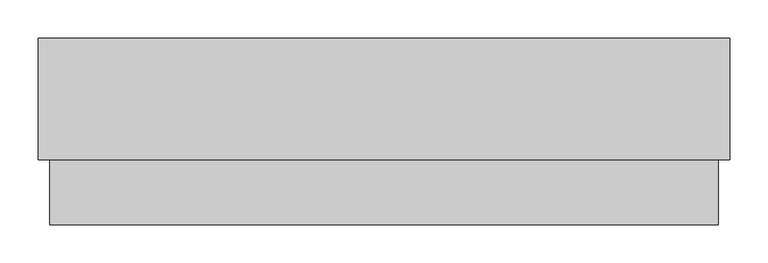
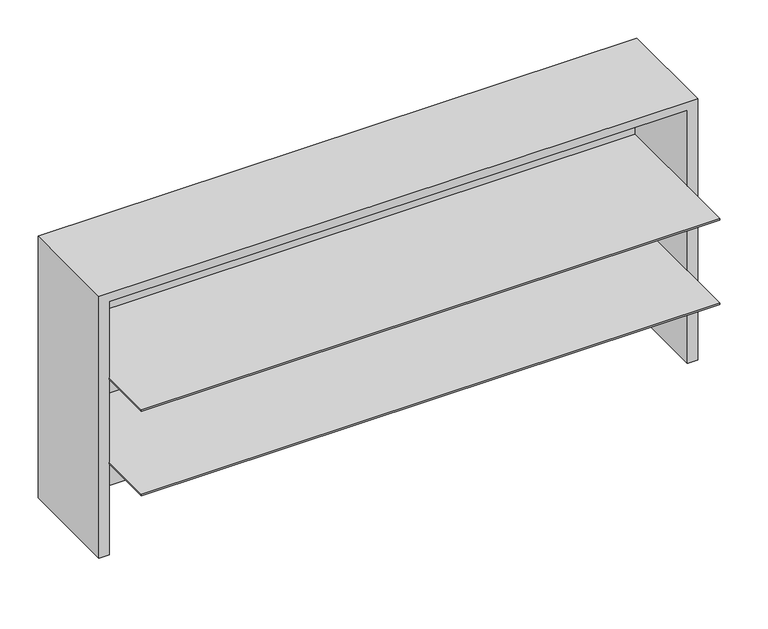
"""IFC4 building model written with IfcOpenShell, lengths in millimetres: furniture geometry."""

import ifcopenshell
import ifcopenshell.guid

model = None  # the IFC model being written
_history = None  # IfcOwnerHistory: only IFC2X3 demands one
_inside = {}  # id of a spatial element -> (the spatial element, [elements in it])
_under = {}  # id of a project, library or spatial element -> (it, [spatial elements below it])
_declared = {}  # id of a project -> (the project, [libraries it declares])
_typed = {}  # id of a type object -> (the type object, [elements of that type])
_made_of = {}  # id of a material, layer set ... -> (it, [elements and type objects made of it])


def new_model(schema):
    """Start an empty IFC model of exactly this schema.

    Asked for "IFC4X3", IfcOpenShell would pick the latest addendum, in which some entities
    have other attributes; the version numbers below select the first issue.
    IFC2X3 requires an IfcOwnerHistory on every rooted entity: one is made here for all.
    """
    global model, _history
    if schema == "IFC4X3":
        model = ifcopenshell.file(schema_version=(4, 3, 0, 0))
    else:
        model = ifcopenshell.file(schema=schema)
    _inside.clear()
    _under.clear()
    _declared.clear()
    _typed.clear()
    _made_of.clear()
    _history = None
    if model.schema == "IFC2X3":
        org = make("IfcOrganization", Name="unknown")
        user = make(
            "IfcPersonAndOrganization",
            ThePerson=make("IfcPerson", FamilyName="unknown"),
            TheOrganization=org,
        )
        app = make(
            "IfcApplication",
            ApplicationDeveloper=org,
            Version="unknown",
            ApplicationFullName="unknown",
            ApplicationIdentifier="unknown",
        )
        _history = make(
            "IfcOwnerHistory",
            OwningUser=user,
            OwningApplication=app,
            ChangeAction="ADDED",
            CreationDate=0,
        )
    return model


def make(cls, **values):
    """One entity of the class cls with the attributes given. An attribute that is None is left unset."""
    return model.create_entity(
        cls, **{name: value for name, value in values.items() if value is not None}
    )


def rooted(cls, **values):
    """An entity with a GlobalId (a new one), such as an element, a storey or a relation."""
    return make(cls, GlobalId=ifcopenshell.guid.new(), OwnerHistory=_history, **values)


def si_unit(unit_type, name, prefix=None):
    """IfcSIUnit, for example si_unit("LENGTHUNIT", "METRE", prefix="MILLI")."""
    return make("IfcSIUnit", UnitType=unit_type, Prefix=prefix, Name=name)


def assignment(units):
    """IfcUnitAssignment: the units of a project."""
    return None if units is None else make("IfcUnitAssignment", Units=units)


def point(xyz):
    """IfcCartesianPoint."""
    return None if xyz is None else make("IfcCartesianPoint", Coordinates=xyz)


def direction(xyz):
    """IfcDirection."""
    return None if xyz is None else make("IfcDirection", DirectionRatios=xyz)


def frame(location, z_axis=None, x_axis=None):
    """IfcAxis2Placement3D, a coordinate frame: its origin and axes. An axis left out is left unset."""
    return make(
        "IfcAxis2Placement3D",
        Location=point(location),
        Axis=direction(z_axis),
        RefDirection=direction(x_axis),
    )


def origin():
    """The frame at (0, 0, 0) with its axes left unset."""
    return frame((0.0, 0.0, 0.0))


def place(relative_to, where):
    """IfcLocalPlacement: puts the frame where relative to a parent placement (None: the world)."""
    return make(
        "IfcLocalPlacement", PlacementRelTo=relative_to, RelativePlacement=where
    )


def context(
    kind, dimensions, precision=None, world=None, true_north=None, identifier=None
):
    """IfcGeometricRepresentationContext, for example the 3D "Model" context."""
    return make(
        "IfcGeometricRepresentationContext",
        ContextIdentifier=identifier,
        ContextType=kind,
        CoordinateSpaceDimension=dimensions,
        Precision=precision,
        WorldCoordinateSystem=world,
        TrueNorth=true_north,
    )


def project(units=None, contexts=None):
    """IfcProject with its units and contexts."""
    return rooted(
        "IfcProject",
        Name="project",
        RepresentationContexts=contexts,
        UnitsInContext=assignment(units),
    )


def spatial(cls, under=None, at=None, **own):
    """A site, building, storey or space (cls), placed at a placement, below another one or the project."""
    s = rooted(cls, ObjectPlacement=at, **own)
    if under is not None:
        _under.setdefault(under.id(), (under, []))[1].append(s)
    return s


def polyline(points):
    """IfcPolyline through the points."""
    return make("IfcPolyline", Points=[point(p) for p in points])


def outline(outer, holes=None, kind="AREA"):
    """IfcArbitraryClosedProfileDef: a profile drawn as a closed curve; with holes, ...WithVoids."""
    if holes is None:
        return make("IfcArbitraryClosedProfileDef", ProfileType=kind, OuterCurve=outer)
    return make(
        "IfcArbitraryProfileDefWithVoids",
        ProfileType=kind,
        OuterCurve=outer,
        InnerCurves=holes,
    )


def extrude(swept, where, along, depth):
    """IfcExtrudedAreaSolid: the profile swept, set in the frame where, extruded along a direction by depth."""
    return make(
        "IfcExtrudedAreaSolid",
        SweptArea=swept,
        Position=where,
        ExtrudedDirection=direction(along),
        Depth=depth,
    )


def faces_of(points, faces, orient=None, outer=None):
    """IfcFace entities. A face is a list of loops; a loop is a list of indices into points, from 0.

    orient and outer hold one flag for each loop. By default every Orientation is true, the
    first loop of a face is its IfcFaceOuterBound and the others are IfcFaceBound.
    """
    made = []
    for i, loops in enumerate(faces):
        bounds = []
        for j, loop in enumerate(loops):
            is_outer = j == 0 if outer is None else outer[i][j]
            bounds.append(
                make(
                    "IfcFaceOuterBound" if is_outer else "IfcFaceBound",
                    Bound=make("IfcPolyLoop", Polygon=[points[k] for k in loop]),
                    Orientation=True if orient is None else orient[i][j],
                )
            )
        made.append(make("IfcFace", Bounds=bounds))
    return made


def faceted_brep(points, faces, orient=None, outer=None, voids=None):
    """IfcFacetedBrep: a solid bounded by flat faces; with voids (closed shells), ...WithVoids."""
    shared = [point(p) for p in points]
    hull = make("IfcClosedShell", CfsFaces=faces_of(shared, faces, orient, outer))
    if voids is None:
        return make("IfcFacetedBrep", Outer=hull)
    return make(
        "IfcFacetedBrepWithVoids",
        Outer=hull,
        Voids=[
            make(cls, CfsFaces=faces_of(shared, fs, o, b)) for cls, fs, o, b in voids
        ],
    )


def shape(context_of_items, identifier, shape_type, items):
    """IfcShapeRepresentation: the items that make up one representation, for example the "Body"."""
    return make(
        "IfcShapeRepresentation",
        ContextOfItems=context_of_items,
        RepresentationIdentifier=identifier,
        RepresentationType=shape_type,
        Items=items,
    )


def source(mapping_origin, context_of_items, identifier, shape_type, items):
    """IfcRepresentationMap: a shape defined once, which mapped items show again and again."""
    return make(
        "IfcRepresentationMap",
        MappingOrigin=mapping_origin,
        MappedRepresentation=shape(context_of_items, identifier, shape_type, items),
    )


def transform(
    local_origin,
    x_axis=None,
    y_axis=None,
    z_axis=None,
    scale=None,
    scale2=None,
    scale3=None,
    uniform=True,
):
    """IfcCartesianTransformationOperator3D, or its non-uniform kind. x_axis, y_axis, z_axis: its Axis1, 2, 3."""
    if uniform:
        return make(
            "IfcCartesianTransformationOperator3D",
            Axis1=direction(x_axis),
            Axis2=direction(y_axis),
            LocalOrigin=point(local_origin),
            Scale=scale,
            Axis3=direction(z_axis),
        )
    return make(
        "IfcCartesianTransformationOperator3DnonUniform",
        Axis1=direction(x_axis),
        Axis2=direction(y_axis),
        LocalOrigin=point(local_origin),
        Scale=scale,
        Axis3=direction(z_axis),
        Scale2=scale2,
        Scale3=scale3,
    )


def mapped(mapping_source, mapping_target):
    """IfcMappedItem: shows the shape of a source again, moved by a transform."""
    return make(
        "IfcMappedItem", MappingSource=mapping_source, MappingTarget=mapping_target
    )


def made_of(thing, what):
    """Note that an element or type object is made of a material, layer set ...; save() writes the relation."""
    if what is not None:
        _made_of.setdefault(what.id(), (what, []))[1].append(thing)
    return thing


def element(
    cls,
    number,
    at=None,
    inside=None,
    cuts=None,
    type_object=None,
    material=None,
    context=None,
    identifier="Body",
    shape_type=None,
    held_by="IfcProductDefinitionShape",
    body=None,
    shapes=None,
    **own,
):
    """One element of the class cls, such as IfcWall. Its Tag is "e" and its number.

    at: its placement. inside: the storey or other place that contains it. cuts: it is an
    opening in that element (IfcRelVoidsElement). A single representation is given by context,
    identifier, shape_type and body (its items); several are given by shapes. held_by: the class
    of the entity that holds the representations. save() writes the other relations.
    """
    e = rooted(cls, Tag="e%d" % number, ObjectPlacement=at, **own)
    if body is not None:
        shapes = [shape(context, identifier, shape_type, body)]
    if shapes is not None:
        e.Representation = make(held_by, Representations=shapes)
    if inside is not None:
        _inside.setdefault(inside.id(), (inside, []))[1].append(e)
    if cuts is not None:
        rooted(
            "IfcRelVoidsElement", RelatingBuildingElement=cuts, RelatedOpeningElement=e
        )
    if type_object is not None:
        _typed.setdefault(type_object.id(), (type_object, []))[1].append(e)
    return made_of(e, material)


def aggregate(whole, parts):
    """IfcRelAggregates: a whole, such as a stair, and the parts it consists of."""
    return rooted("IfcRelAggregates", RelatingObject=whole, RelatedObjects=parts)


def save(model, path):
    """Write the relations noted so far, then the file.

    IfcRelAggregates (storeys below a building ...), IfcRelContainedInSpatialStructure (elements
    in a storey), IfcRelDefinesByType, IfcRelAssociatesMaterial and IfcRelDeclares: one each for
    every whole, place, type object, material and project.
    """
    for whole, parts in _under.values():
        aggregate(whole, parts)
    for where, things in _inside.values():
        rooted(
            "IfcRelContainedInSpatialStructure",
            RelatedElements=things,
            RelatingStructure=where,
        )
    for kind, things in _typed.values():
        rooted("IfcRelDefinesByType", RelatedObjects=things, RelatingType=kind)
    for what, things in _made_of.values():
        rooted("IfcRelAssociatesMaterial", RelatedObjects=things, RelatingMaterial=what)
    for by, libraries in _declared.values():
        rooted("IfcRelDeclares", RelatingContext=by, RelatedDefinitions=libraries)
    model.write(path)


def furniture_bf6ae1ef(model_context):
    return source(origin(), model_context, "Body", "SolidModel", [
        extrude(outline(polyline([(909.828, -3.048), (909.828, -159.893), (897.509, -159.893), (897.509, -22.225), (16.891, -22.225), (16.891, -159.893), (4.572, -159.893), (4.572, -3.048), (909.828, -3.048)])), frame((0.0, 0.0, 723.9), z_axis=(0.0, 0.0, 1.0), x_axis=(1.0, 0.0, 0.0)), (0.0, 0.0, 1.0), 0.8128),
        extrude(outline(polyline([(895.985, -246.46382), (18.415, -246.46382), (18.415, -23.749), (895.985, -23.749), (895.985, -246.46382)])), frame((0.0, 0.0, 1006.5088667), z_axis=(0.0, 0.0, 1.0), x_axis=(1.0, 0.0, 0.0)), (0.0, 0.0, 1.0), 2.54),
        extrude(outline(polyline([(895.985, -246.46382), (18.415, -246.46382), (18.415, -23.749), (895.985, -23.749), (895.985, -246.46382)])), frame((0.0, 0.0, 870.7289333), z_axis=(0.0, 0.0, 1.0), x_axis=(1.0, 0.0, 0.0)), (0.0, 0.0, 1.0), 2.54),
        faceted_brep([(911.352, -161.417, 1144.8288), (3.048, -161.417, 1144.8288), (3.048, -161.417, 724.7128), (18.415, -161.417, 724.7128), (18.415, -161.417, 1131.2398), (895.985, -161.417, 1131.2398), (895.985, -161.417, 724.7128), (911.352, -161.417, 724.7128), (911.352, -1.524, 1144.8288), (911.352, -1.524, 724.7128), (3.048, -1.524, 724.7128), (3.048, -1.524, 1144.8288), (895.985, -23.749, 724.7128), (18.415, -23.749, 724.7128), (895.985, -23.749, 1131.2398), (18.415, -23.749, 1131.2398)], [[[0, 1, 2, 3, 4, 5, 6, 7]], [[8, 9, 10, 11]], [[1, 0, 8, 11]], [[2, 1, 11, 10]], [[10, 9, 7, 6, 12, 13, 3, 2]], [[0, 7, 9, 8]], [[14, 15, 13, 12]], [[15, 14, 5, 4]], [[15, 4, 3, 13]], [[5, 14, 12, 6]]]),
    ])


if __name__ == "__main__":
    model = new_model("IFC4")
    model_context = context("Model", 3, world=origin())
    ifc_project = project(units=[si_unit("LENGTHUNIT", "METRE", prefix="MILLI")], contexts=[model_context])
    site = spatial("IfcSite", under=ifc_project)
    building = spatial("IfcBuilding", under=site)
    placement = place(None, origin())
    furniture_shape = furniture_bf6ae1ef(model_context)
    element("IfcFurniture", 1, at=placement, inside=building, context=model_context, shape_type="MappedRepresentation", body=[
        mapped(furniture_shape, transform((0.0, 0.0, 0.0), x_axis=(1.0, 0.0, 0.0), y_axis=(0.0, 1.0, 0.0), z_axis=(0.0, 0.0, 1.0))),
    ])
    save(model, "model.ifc")
